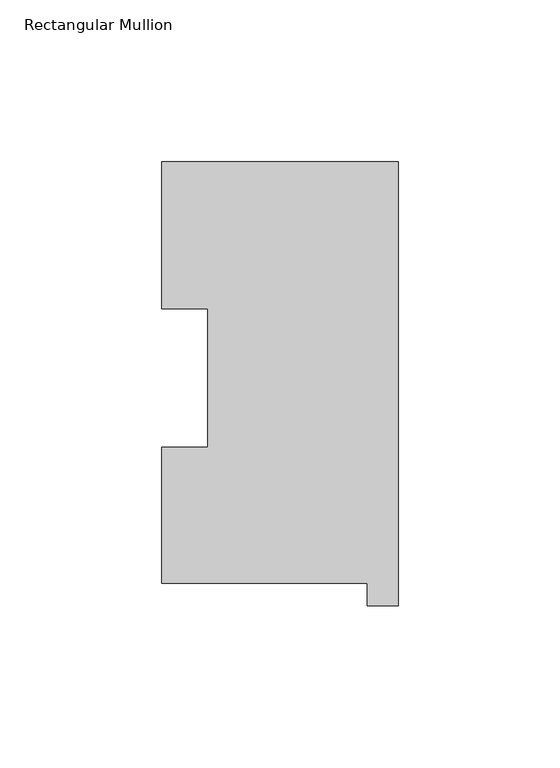
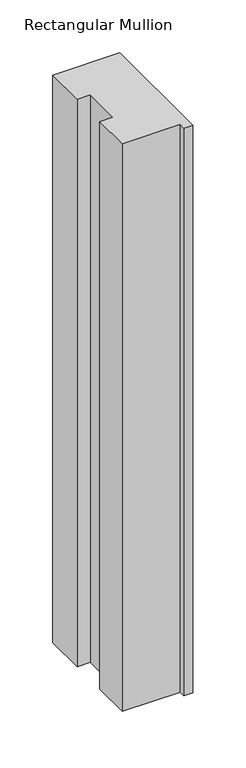
"""IFC4 building model written with IfcOpenShell, lengths in millimetres: member geometry, Rectangular Mullion."""

from ifc_helpers import new_model, si_unit, frame, origin, place, context, project, spatial, polyline, outline, extrude, source, transform, mapped, element, save


def rectangular_mullion_206136e9(model_context):
    return source(origin(), model_context, "Body", "SweptSolid", [
        extrude(outline(polyline([(-9.525, 0.04445), (-73.025, 0.04445), (-73.025, 42.08145), (-58.7502, 42.08145), (-58.7502, 84.93125), (-73.025, 84.93125), (-73.025, 130.34645), (0.0, 130.34645), (0.0, -6.86435), (-9.525, -6.86435), (-9.525, 0.04445)])), frame((0.0, 0.0, -654.05), z_axis=(0.0, 0.0, 1.0), x_axis=(1.0, 0.0, 0.0)), (0.0, 0.0, 1.0), 654.05),
    ])


if __name__ == "__main__":
    model = new_model("IFC4")
    model_context = context("Model", 3, world=origin())
    ifc_project = project(units=[si_unit("LENGTHUNIT", "METRE", prefix="MILLI")], contexts=[model_context])
    site = spatial("IfcSite", under=ifc_project)
    building = spatial("IfcBuilding", under=site)
    placement = place(None, origin())
    rectangular_mullion_shape = rectangular_mullion_206136e9(model_context)
    element("IfcMember", 1, ObjectType="Rectangular Mullion", at=placement, inside=building, context=model_context, shape_type="MappedRepresentation", body=[
        mapped(rectangular_mullion_shape, transform((0.0, 0.0, 0.0), x_axis=(1.0, 0.0, 0.0), y_axis=(0.0, 1.0, 0.0), z_axis=(0.0, 0.0, 1.0))),
    ])
    save(model, "model.ifc")
